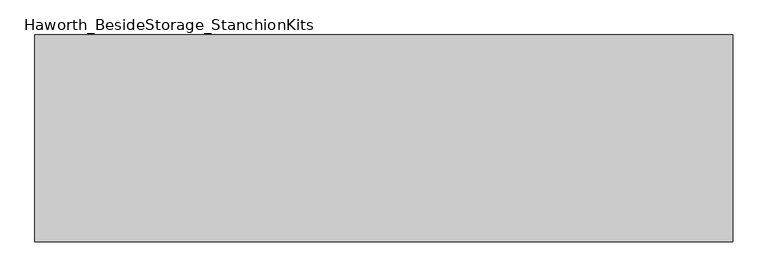
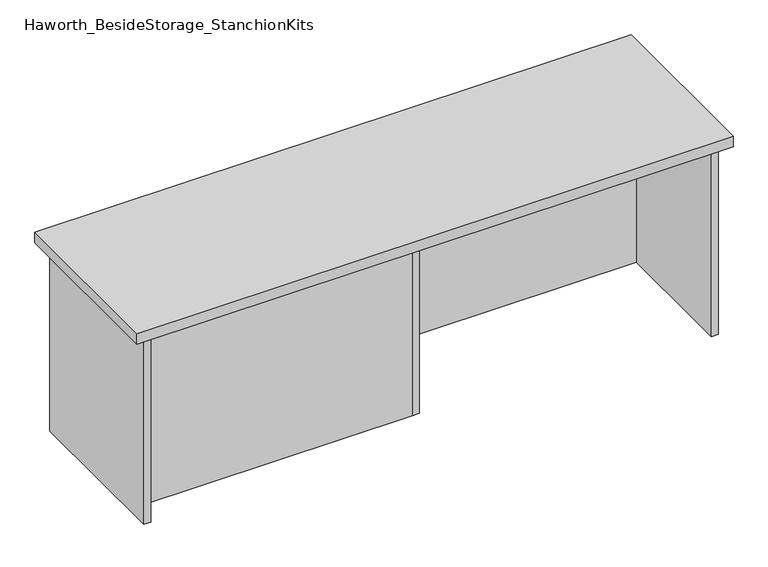
"""IFC4 building model written with IfcOpenShell, lengths in millimetres: furniture geometry, Haworth_BesideStorage_StanchionKits."""

from ifc_helpers import new_model, si_unit, frame, origin, place, context, project, spatial, polyline, outline, extrude, source, transform, mapped, element, save


def haworth_besidestorage_stanchionkits_175fe2c0(model_context):
    return source(origin(), model_context, "Body", "SweptSolid", [
        extrude(outline(polyline([(847.725, 0.0), (847.725, -406.4), (-523.875, -406.4), (-523.875, 0.0), (847.725, 0.0)])), frame((0.0, 0.0, 889.0), z_axis=(0.0, 0.0, 1.0), x_axis=(1.0, 0.0, 0.0)), (0.0, 0.0, 1.0), 25.4),
        extrude(outline(polyline([(169.8625, -76.2), (806.45, -76.2), (806.45, -92.075), (169.8625, -92.075), (169.8625, -76.2)])), frame((0.0, 0.0, 431.8), z_axis=(0.0, 0.0, 1.0), x_axis=(1.0, 0.0, 0.0)), (0.0, 0.0, 1.0), 457.2),
        extrude(outline(polyline([(153.9875, -314.325), (153.9875, -330.2), (-482.6, -330.2), (-482.6, -314.325), (153.9875, -314.325)])), frame((0.0, 0.0, 431.8), z_axis=(0.0, 0.0, 1.0), x_axis=(1.0, 0.0, 0.0)), (0.0, 0.0, 1.0), 457.2),
        extrude(outline(polyline([(169.8625, -330.2), (153.9875, -330.2), (153.9875, -76.2), (169.8625, -76.2), (169.8625, -330.2)])), frame((0.0, 0.0, 431.8), z_axis=(0.0, 0.0, 1.0), x_axis=(1.0, 0.0, 0.0)), (0.0, 0.0, 1.0), 457.2),
        extrude(outline(polyline([(822.325, -390.525), (806.45, -390.525), (806.45, -15.875), (822.325, -15.875), (822.325, -390.525)])), frame((0.0, 0.0, 431.8), z_axis=(0.0, 0.0, 1.0), x_axis=(1.0, 0.0, 0.0)), (0.0, 0.0, 1.0), 457.2),
        extrude(outline(polyline([(-482.6, -390.525), (-498.475, -390.525), (-498.475, -15.875), (-482.6, -15.875), (-482.6, -390.525)])), frame((0.0, 0.0, 431.8), z_axis=(0.0, 0.0, 1.0), x_axis=(1.0, 0.0, 0.0)), (0.0, 0.0, 1.0), 457.2),
    ])


if __name__ == "__main__":
    model = new_model("IFC4")
    model_context = context("Model", 3, world=origin())
    ifc_project = project(units=[si_unit("LENGTHUNIT", "METRE", prefix="MILLI")], contexts=[model_context])
    site = spatial("IfcSite", under=ifc_project)
    building = spatial("IfcBuilding", under=site)
    placement = place(None, origin())
    haworth_besidestorage_stanchionkits_shape = haworth_besidestorage_stanchionkits_175fe2c0(model_context)
    element("IfcFurniture", 1, ObjectType="Haworth_BesideStorage_StanchionKits", at=placement, inside=building, context=model_context, shape_type="MappedRepresentation", body=[
        mapped(haworth_besidestorage_stanchionkits_shape, transform((0.0, 0.0, 0.0), x_axis=(1.0, 0.0, 0.0), y_axis=(0.0, 1.0, 0.0), z_axis=(0.0, 0.0, 1.0))),
    ])
    save(model, "model.ifc")
